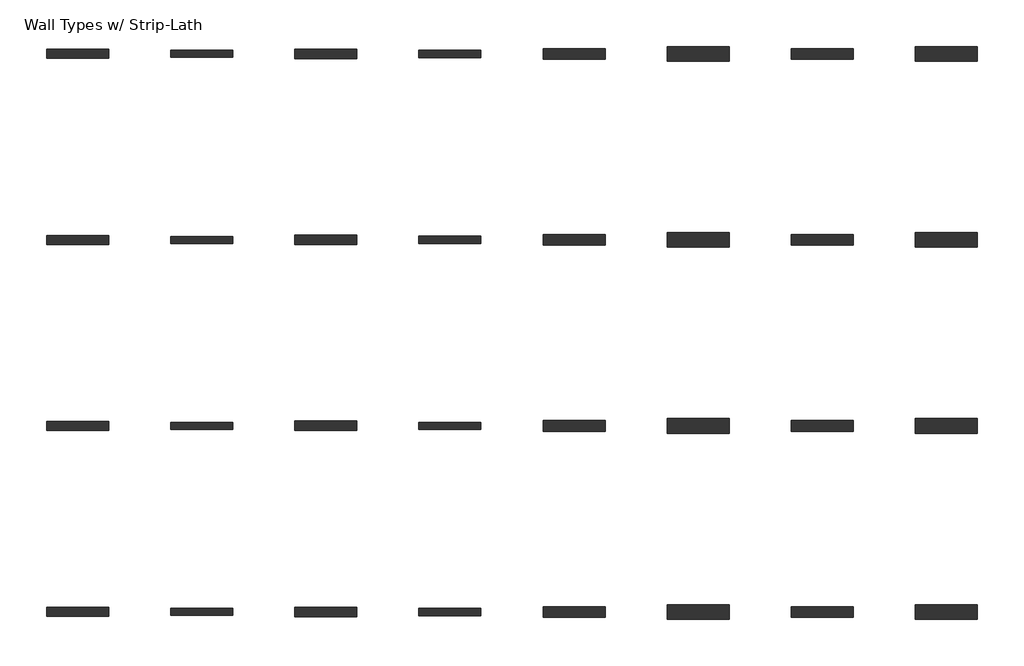
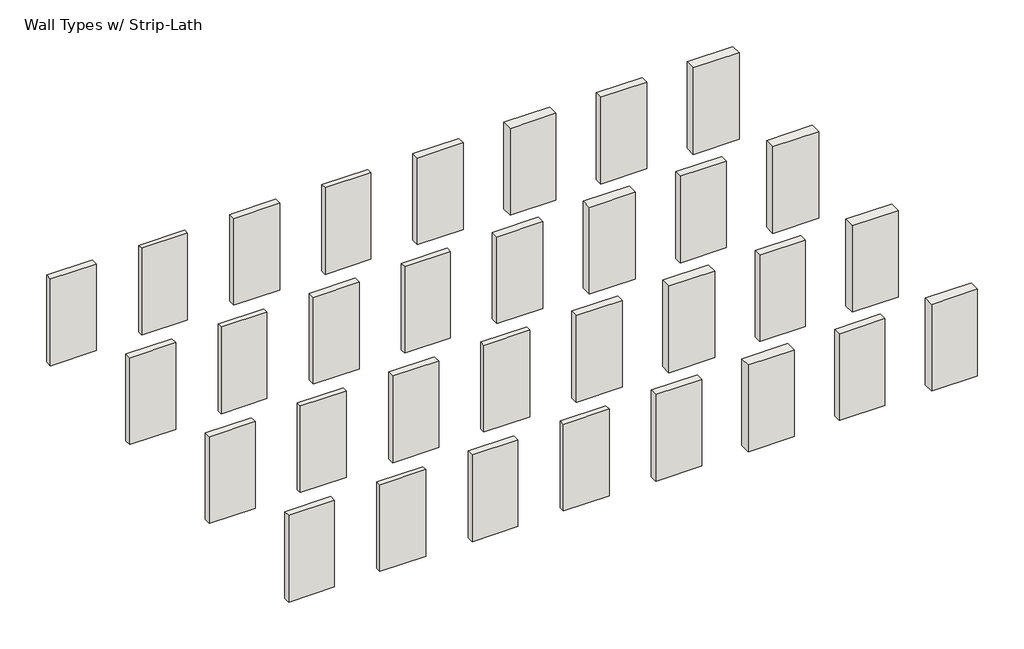
# One storey: 32 walls.
"""IFC4 building model written with IfcOpenShell, lengths in millimetres."""

import ifcopenshell
import ifcopenshell.guid

model = None  # the IFC model being written
_history = None  # IfcOwnerHistory: only IFC2X3 demands one
_inside = {}  # id of a spatial element -> (the spatial element, [elements in it])
_under = {}  # id of a project, library or spatial element -> (it, [spatial elements below it])
_declared = {}  # id of a project -> (the project, [libraries it declares])
_typed = {}  # id of a type object -> (the type object, [elements of that type])
_made_of = {}  # id of a material, layer set ... -> (it, [elements and type objects made of it])


def new_model(schema):
    """Start an empty IFC model of exactly this schema.

    Asked for "IFC4X3", IfcOpenShell would pick the latest addendum, in which some entities
    have other attributes; the version numbers below select the first issue.
    IFC2X3 requires an IfcOwnerHistory on every rooted entity: one is made here for all.
    """
    global model, _history
    if schema == "IFC4X3":
        model = ifcopenshell.file(schema_version=(4, 3, 0, 0))
    else:
        model = ifcopenshell.file(schema=schema)
    _inside.clear()
    _under.clear()
    _declared.clear()
    _typed.clear()
    _made_of.clear()
    _history = None
    if model.schema == "IFC2X3":
        org = make("IfcOrganization", Name="unknown")
        user = make(
            "IfcPersonAndOrganization",
            ThePerson=make("IfcPerson", FamilyName="unknown"),
            TheOrganization=org,
        )
        app = make(
            "IfcApplication",
            ApplicationDeveloper=org,
            Version="unknown",
            ApplicationFullName="unknown",
            ApplicationIdentifier="unknown",
        )
        _history = make(
            "IfcOwnerHistory",
            OwningUser=user,
            OwningApplication=app,
            ChangeAction="ADDED",
            CreationDate=0,
        )
    return model


def make(cls, **values):
    """One entity of the class cls with the attributes given. An attribute that is None is left unset."""
    return model.create_entity(
        cls, **{name: value for name, value in values.items() if value is not None}
    )


def rooted(cls, **values):
    """An entity with a GlobalId (a new one), such as an element, a storey or a relation."""
    return make(cls, GlobalId=ifcopenshell.guid.new(), OwnerHistory=_history, **values)


def si_unit(unit_type, name, prefix=None):
    """IfcSIUnit, for example si_unit("LENGTHUNIT", "METRE", prefix="MILLI")."""
    return make("IfcSIUnit", UnitType=unit_type, Prefix=prefix, Name=name)


def assignment(units):
    """IfcUnitAssignment: the units of a project."""
    return None if units is None else make("IfcUnitAssignment", Units=units)


def point(xyz):
    """IfcCartesianPoint."""
    return None if xyz is None else make("IfcCartesianPoint", Coordinates=xyz)


def direction(xyz):
    """IfcDirection."""
    return None if xyz is None else make("IfcDirection", DirectionRatios=xyz)


def frame(location, z_axis=None, x_axis=None):
    """IfcAxis2Placement3D, a coordinate frame: its origin and axes. An axis left out is left unset."""
    return make(
        "IfcAxis2Placement3D",
        Location=point(location),
        Axis=direction(z_axis),
        RefDirection=direction(x_axis),
    )


def origin():
    """The frame at (0, 0, 0) with its axes left unset."""
    return frame((0.0, 0.0, 0.0))


def place(relative_to, where):
    """IfcLocalPlacement: puts the frame where relative to a parent placement (None: the world)."""
    return make(
        "IfcLocalPlacement", PlacementRelTo=relative_to, RelativePlacement=where
    )


def context(
    kind, dimensions, precision=None, world=None, true_north=None, identifier=None
):
    """IfcGeometricRepresentationContext, for example the 3D "Model" context."""
    return make(
        "IfcGeometricRepresentationContext",
        ContextIdentifier=identifier,
        ContextType=kind,
        CoordinateSpaceDimension=dimensions,
        Precision=precision,
        WorldCoordinateSystem=world,
        TrueNorth=true_north,
    )


def project(units=None, contexts=None):
    """IfcProject with its units and contexts."""
    return rooted(
        "IfcProject",
        Name="project",
        RepresentationContexts=contexts,
        UnitsInContext=assignment(units),
    )


def spatial(cls, under=None, at=None, **own):
    """A site, building, storey or space (cls), placed at a placement, below another one or the project."""
    s = rooted(cls, ObjectPlacement=at, **own)
    if under is not None:
        _under.setdefault(under.id(), (under, []))[1].append(s)
    return s


def polyline(points):
    """IfcPolyline through the points."""
    return make("IfcPolyline", Points=[point(p) for p in points])


def outline(outer, holes=None, kind="AREA"):
    """IfcArbitraryClosedProfileDef: a profile drawn as a closed curve; with holes, ...WithVoids."""
    if holes is None:
        return make("IfcArbitraryClosedProfileDef", ProfileType=kind, OuterCurve=outer)
    return make(
        "IfcArbitraryProfileDefWithVoids",
        ProfileType=kind,
        OuterCurve=outer,
        InnerCurves=holes,
    )


def extrude(swept, where, along, depth):
    """IfcExtrudedAreaSolid: the profile swept, set in the frame where, extruded along a direction by depth."""
    return make(
        "IfcExtrudedAreaSolid",
        SweptArea=swept,
        Position=where,
        ExtrudedDirection=direction(along),
        Depth=depth,
    )


def shape(context_of_items, identifier, shape_type, items):
    """IfcShapeRepresentation: the items that make up one representation, for example the "Body"."""
    return make(
        "IfcShapeRepresentation",
        ContextOfItems=context_of_items,
        RepresentationIdentifier=identifier,
        RepresentationType=shape_type,
        Items=items,
    )


def made_of(thing, what):
    """Note that an element or type object is made of a material, layer set ...; save() writes the relation."""
    if what is not None:
        _made_of.setdefault(what.id(), (what, []))[1].append(thing)
    return thing


def element(
    cls,
    number,
    at=None,
    inside=None,
    cuts=None,
    type_object=None,
    material=None,
    context=None,
    identifier="Body",
    shape_type=None,
    held_by="IfcProductDefinitionShape",
    body=None,
    shapes=None,
    **own,
):
    """One element of the class cls, such as IfcWall. Its Tag is "e" and its number.

    at: its placement. inside: the storey or other place that contains it. cuts: it is an
    opening in that element (IfcRelVoidsElement). A single representation is given by context,
    identifier, shape_type and body (its items); several are given by shapes. held_by: the class
    of the entity that holds the representations. save() writes the other relations.
    """
    e = rooted(cls, Tag="e%d" % number, ObjectPlacement=at, **own)
    if body is not None:
        shapes = [shape(context, identifier, shape_type, body)]
    if shapes is not None:
        e.Representation = make(held_by, Representations=shapes)
    if inside is not None:
        _inside.setdefault(inside.id(), (inside, []))[1].append(e)
    if cuts is not None:
        rooted(
            "IfcRelVoidsElement", RelatingBuildingElement=cuts, RelatedOpeningElement=e
        )
    if type_object is not None:
        _typed.setdefault(type_object.id(), (type_object, []))[1].append(e)
    return made_of(e, material)


def aggregate(whole, parts):
    """IfcRelAggregates: a whole, such as a stair, and the parts it consists of."""
    return rooted("IfcRelAggregates", RelatingObject=whole, RelatedObjects=parts)


def save(model, path):
    """Write the relations noted so far, then the file.

    IfcRelAggregates (storeys below a building ...), IfcRelContainedInSpatialStructure (elements
    in a storey), IfcRelDefinesByType, IfcRelAssociatesMaterial and IfcRelDeclares: one each for
    every whole, place, type object, material and project.
    """
    for whole, parts in _under.values():
        aggregate(whole, parts)
    for where, things in _inside.values():
        rooted(
            "IfcRelContainedInSpatialStructure",
            RelatedElements=things,
            RelatingStructure=where,
        )
    for kind, things in _typed.values():
        rooted("IfcRelDefinesByType", RelatedObjects=things, RelatingType=kind)
    for what, things in _made_of.values():
        rooted("IfcRelAssociatesMaterial", RelatedObjects=things, RelatingMaterial=what)
    for by, libraries in _declared.values():
        rooted("IfcRelDeclares", RelatingContext=by, RelatedDefinitions=libraries)
    model.write(path)


model = new_model("IFC4")

# Units and contexts
model_context = context("Model", 3, world=origin())
ifc_project = project(units=[si_unit("LENGTHUNIT", "METRE", prefix="MILLI")], contexts=[model_context])

# Site, building, storey
site = spatial("IfcSite", under=ifc_project)
building = spatial("IfcBuilding", under=site)
storey = spatial("IfcBuildingStorey", under=building, Name="Wall Types w/ Strip-Lath", Elevation=3657.6)

# Walls
placement = place(None, origin())
element("IfcWall", 1, at=placement, inside=storey, context=model_context, shape_type="SweptSolid", body=[
    extrude(outline(polyline([(8525.3425051, 9050.1261744), (7001.3425051, 9050.1261744), (7001.3425051, 9270.7886744), (8525.3425051, 9270.7886744), (8525.3425051, 9050.1261744)])), frame((0.0, 0.0, 3657.6), z_axis=(0.0, 0.0, 1.0), x_axis=(1.0, 0.0, 0.0)), (0.0, 0.0, 1.0), 3048.0),
])
element("IfcWall", 2, at=placement, inside=storey, context=model_context, shape_type="SweptSolid", body=[
    extrude(outline(polyline([(11573.3425051, 9075.5261744), (10049.3425051, 9075.5261744), (10049.3425051, 9245.3886744), (11573.3425051, 9245.3886744), (11573.3425051, 9075.5261744)])), frame((0.0, 0.0, 3657.6), z_axis=(0.0, 0.0, 1.0), x_axis=(1.0, 0.0, 0.0)), (0.0, 0.0, 1.0), 3048.0),
])
element("IfcWall", 3, at=placement, inside=storey, context=model_context, shape_type="SweptSolid", body=[
    extrude(outline(polyline([(14621.3425051, 9043.7761744), (13097.3425051, 9043.7761744), (13097.3425051, 9277.1386744), (14621.3425051, 9277.1386744), (14621.3425051, 9043.7761744)])), frame((0.0, 0.0, 3657.6), z_axis=(0.0, 0.0, 1.0), x_axis=(1.0, 0.0, 0.0)), (0.0, 0.0, 1.0), 3048.0),
])
element("IfcWall", 4, at=placement, inside=storey, context=model_context, shape_type="SweptSolid", body=[
    extrude(outline(polyline([(17669.3425051, 9069.1761744), (16145.3425051, 9069.1761744), (16145.3425051, 9251.7386744), (17669.3425051, 9251.7386744), (17669.3425051, 9069.1761744)])), frame((0.0, 0.0, 3657.6), z_axis=(0.0, 0.0, 1.0), x_axis=(1.0, 0.0, 0.0)), (0.0, 0.0, 1.0), 3048.0),
])
element("IfcWall", 5, at=placement, inside=storey, context=model_context, shape_type="SweptSolid", body=[
    extrude(outline(polyline([(20717.3425051, 9031.0761744), (19193.3425051, 9031.0761744), (19193.3425051, 9289.8386744), (20717.3425051, 9289.8386744), (20717.3425051, 9031.0761744)])), frame((0.0, 0.0, 3657.6), z_axis=(0.0, 0.0, 1.0), x_axis=(1.0, 0.0, 0.0)), (0.0, 0.0, 1.0), 3048.0),
])
element("IfcWall", 6, at=placement, inside=storey, context=model_context, shape_type="SweptSolid", body=[
    extrude(outline(polyline([(23765.3425051, 8980.2761744), (22241.3425051, 8980.2761744), (22241.3425051, 9340.6386744), (23765.3425051, 9340.6386744), (23765.3425051, 8980.2761744)])), frame((0.0, 0.0, 3657.6), z_axis=(0.0, 0.0, 1.0), x_axis=(1.0, 0.0, 0.0)), (0.0, 0.0, 1.0), 3048.0),
])
element("IfcWall", 7, at=placement, inside=storey, context=model_context, shape_type="SweptSolid", body=[
    extrude(outline(polyline([(26813.3425051, 9031.0761744), (25289.3425051, 9031.0761744), (25289.3425051, 9289.8386744), (26813.3425051, 9289.8386744), (26813.3425051, 9031.0761744)])), frame((0.0, 0.0, 3657.6), z_axis=(0.0, 0.0, 1.0), x_axis=(1.0, 0.0, 0.0)), (0.0, 0.0, 1.0), 3048.0),
])
element("IfcWall", 8, at=placement, inside=storey, context=model_context, shape_type="SweptSolid", body=[
    extrude(outline(polyline([(29861.3425051, 8980.2761744), (28337.3425051, 8980.2761744), (28337.3425051, 9340.6386744), (29861.3425051, 9340.6386744), (29861.3425051, 8980.2761744)])), frame((0.0, 0.0, 3657.6), z_axis=(0.0, 0.0, 1.0), x_axis=(1.0, 0.0, 0.0)), (0.0, 0.0, 1.0), 3048.0),
])
element("IfcWall", 9, at=placement, inside=storey, context=model_context, shape_type="SweptSolid", body=[
    extrude(outline(polyline([(8525.3425051, 4478.1261744), (7001.3425051, 4478.1261744), (7001.3425051, 4698.7886744), (8525.3425051, 4698.7886744), (8525.3425051, 4478.1261744)])), frame((0.0, 0.0, 3657.6), z_axis=(0.0, 0.0, 1.0), x_axis=(1.0, 0.0, 0.0)), (0.0, 0.0, 1.0), 3048.0),
])
element("IfcWall", 10, at=placement, inside=storey, context=model_context, shape_type="SweptSolid", body=[
    extrude(outline(polyline([(11573.3425051, 4503.5261744), (10049.3425051, 4503.5261744), (10049.3425051, 4673.3886744), (11573.3425051, 4673.3886744), (11573.3425051, 4503.5261744)])), frame((0.0, 0.0, 3657.6), z_axis=(0.0, 0.0, 1.0), x_axis=(1.0, 0.0, 0.0)), (0.0, 0.0, 1.0), 3048.0),
])
element("IfcWall", 11, at=placement, inside=storey, context=model_context, shape_type="SweptSolid", body=[
    extrude(outline(polyline([(14621.3425051, 4471.7761744), (13097.3425051, 4471.7761744), (13097.3425051, 4705.1386744), (14621.3425051, 4705.1386744), (14621.3425051, 4471.7761744)])), frame((0.0, 0.0, 3657.6), z_axis=(0.0, 0.0, 1.0), x_axis=(1.0, 0.0, 0.0)), (0.0, 0.0, 1.0), 3048.0),
])
element("IfcWall", 12, at=placement, inside=storey, context=model_context, shape_type="SweptSolid", body=[
    extrude(outline(polyline([(17669.3425051, 4497.1761744), (16145.3425051, 4497.1761744), (16145.3425051, 4679.7386744), (17669.3425051, 4679.7386744), (17669.3425051, 4497.1761744)])), frame((0.0, 0.0, 3657.6), z_axis=(0.0, 0.0, 1.0), x_axis=(1.0, 0.0, 0.0)), (0.0, 0.0, 1.0), 3048.0),
])
element("IfcWall", 13, at=placement, inside=storey, context=model_context, shape_type="SweptSolid", body=[
    extrude(outline(polyline([(20717.3425051, 4459.0761744), (19193.3425051, 4459.0761744), (19193.3425051, 4717.8386744), (20717.3425051, 4717.8386744), (20717.3425051, 4459.0761744)])), frame((0.0, 0.0, 3657.6), z_axis=(0.0, 0.0, 1.0), x_axis=(1.0, 0.0, 0.0)), (0.0, 0.0, 1.0), 3048.0),
])
element("IfcWall", 14, at=placement, inside=storey, context=model_context, shape_type="SweptSolid", body=[
    extrude(outline(polyline([(23765.3425051, 4408.2761744), (22241.3425051, 4408.2761744), (22241.3425051, 4768.6386744), (23765.3425051, 4768.6386744), (23765.3425051, 4408.2761744)])), frame((0.0, 0.0, 3657.6), z_axis=(0.0, 0.0, 1.0), x_axis=(1.0, 0.0, 0.0)), (0.0, 0.0, 1.0), 3048.0),
])
element("IfcWall", 15, at=placement, inside=storey, context=model_context, shape_type="SweptSolid", body=[
    extrude(outline(polyline([(26813.3425051, 4459.0761744), (25289.3425051, 4459.0761744), (25289.3425051, 4717.8386744), (26813.3425051, 4717.8386744), (26813.3425051, 4459.0761744)])), frame((0.0, 0.0, 3657.6), z_axis=(0.0, 0.0, 1.0), x_axis=(1.0, 0.0, 0.0)), (0.0, 0.0, 1.0), 3048.0),
])
element("IfcWall", 16, at=placement, inside=storey, context=model_context, shape_type="SweptSolid", body=[
    extrude(outline(polyline([(29861.3425051, 4408.2761744), (28337.3425051, 4408.2761744), (28337.3425051, 4768.6386744), (29861.3425051, 4768.6386744), (29861.3425051, 4408.2761744)])), frame((0.0, 0.0, 3657.6), z_axis=(0.0, 0.0, 1.0), x_axis=(1.0, 0.0, 0.0)), (0.0, 0.0, 1.0), 3048.0),
])
element("IfcWall", 17, at=placement, inside=storey, context=model_context, shape_type="SweptSolid", body=[
    extrude(outline(polyline([(8525.3425051, -93.8738256), (7001.3425051, -93.8738256), (7001.3425051, 126.7886744), (8525.3425051, 126.7886744), (8525.3425051, -93.8738256)])), frame((0.0, 0.0, 3657.6), z_axis=(0.0, 0.0, 1.0), x_axis=(1.0, 0.0, 0.0)), (0.0, 0.0, 1.0), 3048.0),
])
element("IfcWall", 18, at=placement, inside=storey, context=model_context, shape_type="SweptSolid", body=[
    extrude(outline(polyline([(11573.3425051, -68.4738256), (10049.3425051, -68.4738256), (10049.3425051, 101.3886744), (11573.3425051, 101.3886744), (11573.3425051, -68.4738256)])), frame((0.0, 0.0, 3657.6), z_axis=(0.0, 0.0, 1.0), x_axis=(1.0, 0.0, 0.0)), (0.0, 0.0, 1.0), 3048.0),
])
element("IfcWall", 19, at=placement, inside=storey, context=model_context, shape_type="SweptSolid", body=[
    extrude(outline(polyline([(14621.3425051, -100.2238256), (13097.3425051, -100.2238256), (13097.3425051, 133.1386744), (14621.3425051, 133.1386744), (14621.3425051, -100.2238256)])), frame((0.0, 0.0, 3657.6), z_axis=(0.0, 0.0, 1.0), x_axis=(1.0, 0.0, 0.0)), (0.0, 0.0, 1.0), 3048.0),
])
element("IfcWall", 20, at=placement, inside=storey, context=model_context, shape_type="SweptSolid", body=[
    extrude(outline(polyline([(17669.3425051, -74.8238256), (16145.3425051, -74.8238256), (16145.3425051, 107.7386744), (17669.3425051, 107.7386744), (17669.3425051, -74.8238256)])), frame((0.0, 0.0, 3657.6), z_axis=(0.0, 0.0, 1.0), x_axis=(1.0, 0.0, 0.0)), (0.0, 0.0, 1.0), 3048.0),
])
element("IfcWall", 21, at=placement, inside=storey, context=model_context, shape_type="SweptSolid", body=[
    extrude(outline(polyline([(20717.3425051, -112.9238256), (19193.3425051, -112.9238256), (19193.3425051, 145.8386744), (20717.3425051, 145.8386744), (20717.3425051, -112.9238256)])), frame((0.0, 0.0, 3657.6), z_axis=(0.0, 0.0, 1.0), x_axis=(1.0, 0.0, 0.0)), (0.0, 0.0, 1.0), 3048.0),
])
element("IfcWall", 22, at=placement, inside=storey, context=model_context, shape_type="SweptSolid", body=[
    extrude(outline(polyline([(23765.3425051, -163.7238256), (22241.3425051, -163.7238256), (22241.3425051, 196.6386744), (23765.3425051, 196.6386744), (23765.3425051, -163.7238256)])), frame((0.0, 0.0, 3657.6), z_axis=(0.0, 0.0, 1.0), x_axis=(1.0, 0.0, 0.0)), (0.0, 0.0, 1.0), 3048.0),
])
element("IfcWall", 23, at=placement, inside=storey, context=model_context, shape_type="SweptSolid", body=[
    extrude(outline(polyline([(26813.3425051, -112.9238256), (25289.3425051, -112.9238256), (25289.3425051, 145.8386744), (26813.3425051, 145.8386744), (26813.3425051, -112.9238256)])), frame((0.0, 0.0, 3657.6), z_axis=(0.0, 0.0, 1.0), x_axis=(1.0, 0.0, 0.0)), (0.0, 0.0, 1.0), 3048.0),
])
element("IfcWall", 24, at=placement, inside=storey, context=model_context, shape_type="SweptSolid", body=[
    extrude(outline(polyline([(29861.3425051, -163.7238256), (28337.3425051, -163.7238256), (28337.3425051, 196.6386744), (29861.3425051, 196.6386744), (29861.3425051, -163.7238256)])), frame((0.0, 0.0, 3657.6), z_axis=(0.0, 0.0, 1.0), x_axis=(1.0, 0.0, 0.0)), (0.0, 0.0, 1.0), 3048.0),
])
element("IfcWall", 25, at=placement, inside=storey, context=model_context, shape_type="SweptSolid", body=[
    extrude(outline(polyline([(8525.3425051, -4665.8738256), (7001.3425051, -4665.8738256), (7001.3425051, -4445.2113256), (8525.3425051, -4445.2113256), (8525.3425051, -4665.8738256)])), frame((0.0, 0.0, 3657.6), z_axis=(0.0, 0.0, 1.0), x_axis=(1.0, 0.0, 0.0)), (0.0, 0.0, 1.0), 3048.0),
])
element("IfcWall", 26, at=placement, inside=storey, context=model_context, shape_type="SweptSolid", body=[
    extrude(outline(polyline([(11573.3425051, -4640.4738256), (10049.3425051, -4640.4738256), (10049.3425051, -4470.6113256), (11573.3425051, -4470.6113256), (11573.3425051, -4640.4738256)])), frame((0.0, 0.0, 3657.6), z_axis=(0.0, 0.0, 1.0), x_axis=(1.0, 0.0, 0.0)), (0.0, 0.0, 1.0), 3048.0),
])
element("IfcWall", 27, at=placement, inside=storey, context=model_context, shape_type="SweptSolid", body=[
    extrude(outline(polyline([(14621.3425051, -4672.2238256), (13097.3425051, -4672.2238256), (13097.3425051, -4438.8613256), (14621.3425051, -4438.8613256), (14621.3425051, -4672.2238256)])), frame((0.0, 0.0, 3657.6), z_axis=(0.0, 0.0, 1.0), x_axis=(1.0, 0.0, 0.0)), (0.0, 0.0, 1.0), 3048.0),
])
element("IfcWall", 28, at=placement, inside=storey, context=model_context, shape_type="SweptSolid", body=[
    extrude(outline(polyline([(17669.3425051, -4646.8238256), (16145.3425051, -4646.8238256), (16145.3425051, -4464.2613256), (17669.3425051, -4464.2613256), (17669.3425051, -4646.8238256)])), frame((0.0, 0.0, 3657.6), z_axis=(0.0, 0.0, 1.0), x_axis=(1.0, 0.0, 0.0)), (0.0, 0.0, 1.0), 3048.0),
])
element("IfcWall", 29, at=placement, inside=storey, context=model_context, shape_type="SweptSolid", body=[
    extrude(outline(polyline([(20717.3425051, -4684.9238256), (19193.3425051, -4684.9238256), (19193.3425051, -4426.1613256), (20717.3425051, -4426.1613256), (20717.3425051, -4684.9238256)])), frame((0.0, 0.0, 3657.6), z_axis=(0.0, 0.0, 1.0), x_axis=(1.0, 0.0, 0.0)), (0.0, 0.0, 1.0), 3048.0),
])
element("IfcWall", 30, at=placement, inside=storey, context=model_context, shape_type="SweptSolid", body=[
    extrude(outline(polyline([(23765.3425051, -4735.7238256), (22241.3425051, -4735.7238256), (22241.3425051, -4375.3613256), (23765.3425051, -4375.3613256), (23765.3425051, -4735.7238256)])), frame((0.0, 0.0, 3657.6), z_axis=(0.0, 0.0, 1.0), x_axis=(1.0, 0.0, 0.0)), (0.0, 0.0, 1.0), 3048.0),
])
element("IfcWall", 31, at=placement, inside=storey, context=model_context, shape_type="SweptSolid", body=[
    extrude(outline(polyline([(26813.3425051, -4684.9238256), (25289.3425051, -4684.9238256), (25289.3425051, -4426.1613256), (26813.3425051, -4426.1613256), (26813.3425051, -4684.9238256)])), frame((0.0, 0.0, 3657.6), z_axis=(0.0, 0.0, 1.0), x_axis=(1.0, 0.0, 0.0)), (0.0, 0.0, 1.0), 3048.0),
])
element("IfcWall", 32, at=placement, inside=storey, context=model_context, shape_type="SweptSolid", body=[
    extrude(outline(polyline([(29861.3425051, -4735.7238256), (28337.3425051, -4735.7238256), (28337.3425051, -4375.3613256), (29861.3425051, -4375.3613256), (29861.3425051, -4735.7238256)])), frame((0.0, 0.0, 3657.6), z_axis=(0.0, 0.0, 1.0), x_axis=(1.0, 0.0, 0.0)), (0.0, 0.0, 1.0), 3048.0),
])

save(model, "model.ifc")
